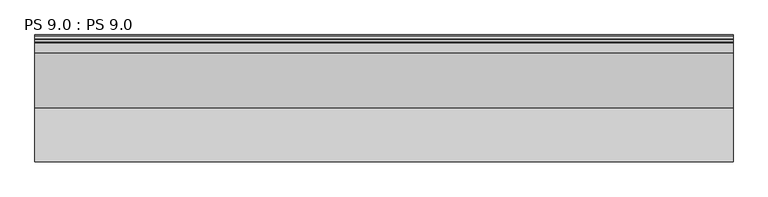
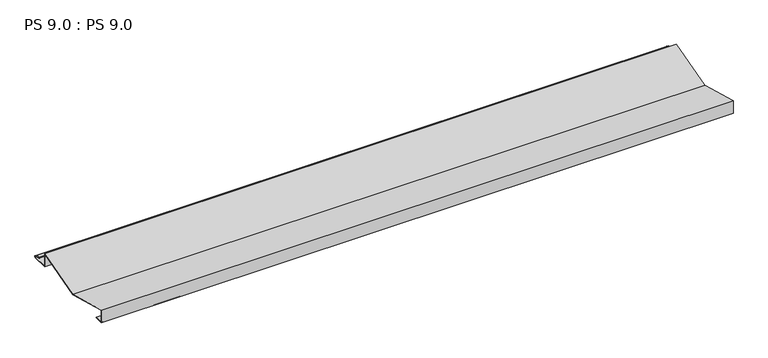
"""IFC4 building model written with IfcOpenShell, lengths in millimetres: proxy geometry, PS 9.0 : PS 9.0."""

from ifc_helpers import new_model, si_unit, point, frame, frame_2d, origin, place, context, project, spatial, polyline, circle_curve, trimmed, segment, composite_curve, outline, extrude, source, transform, mapped, element, save


def ps_9_0_ps_9_0_257c4309(model_context):
    return source(origin(), model_context, "Body", "SweptSolid", [
        extrude(outline(composite_curve([segment(polyline([(25.0, 0.0), (0.0, 0.0), (0.0, 38.0), (140.0, 0.0), (279.9966446, 38.0), (279.9966446, 0.0), (325.0510156, 0.0)]), True, "CONTINUOUS"), segment(trimmed(circle_curve(frame_2d((324.3094696, 1.9153551)), 2.0538928), [point((325.0510156, 0.0))], [point((325.1748462, 3.778041))], True, "CARTESIAN"), True, "CONTINUOUS"), segment(polyline([(325.1748462, 3.778041), (308.7874714, 6.923107)]), True, "CONTINUOUS"), segment(trimmed(circle_curve(frame_2d((309.4078886, 8.6005442)), 1.7884947), [point((308.7874714, 6.923107))], [point((308.9525789, 10.3301125))], False, "CARTESIAN"), True, "CONTINUOUS"), segment(polyline([(308.9525789, 10.3301125), (316.459338, 11.6715995), (316.635255, 10.6871945), (309.1762081, 9.3542338)]), True, "CONTINUOUS"), segment(trimmed(circle_curve(frame_2d((309.4078886, 8.6005442)), 0.7884947), [point((309.1762081, 9.3542338))], [point((309.0735117, 7.8864603))], True, "CARTESIAN"), True, "CONTINUOUS"), segment(polyline([(309.0735117, 7.8864603), (325.4722719, 4.7392091)]), True, "CONTINUOUS"), segment(trimmed(circle_curve(frame_2d((324.3094696, 1.9153551)), 3.0538928), [point((325.4722719, 4.7392091))], [point((325.2188462, -1.0))], False, "CARTESIAN"), True, "CONTINUOUS"), segment(polyline([(325.2188462, -1.0), (278.9966446, -1.0), (278.9966446, 36.6923811), (140.0000031, -1.036183), (1.0, 36.6923893), (1.0, 1.0), (25.0, 1.0), (25.0, 0.0)]), True, "CONTINUOUS")], self_intersect=False)), frame((0.0, 0.0, 0.0), z_axis=(1.0, 0.0, 0.0), x_axis=(0.0, 1.0, 0.0)), (0.0, 0.0, 1.0), 1800.0),
    ])


if __name__ == "__main__":
    model = new_model("IFC4")
    model_context = context("Model", 3, world=origin())
    ifc_project = project(units=[si_unit("LENGTHUNIT", "METRE", prefix="MILLI")], contexts=[model_context])
    site = spatial("IfcSite", under=ifc_project)
    building = spatial("IfcBuilding", under=site)
    placement = place(None, origin())
    ps_9_0_ps_9_0_shape = ps_9_0_ps_9_0_257c4309(model_context)
    element("IfcBuildingElementProxy", 1, Name="PS 9.0 : PS 9.0", ObjectType="PS 9.0 : PS 9.0", at=placement, inside=building, context=model_context, shape_type="MappedRepresentation", body=[
        mapped(ps_9_0_ps_9_0_shape, transform((0.0, 0.0, 0.0), x_axis=(1.0, 0.0, 0.0), y_axis=(0.0, 1.0, 0.0), z_axis=(0.0, 0.0, 1.0))),
    ])
    save(model, "model.ifc")
